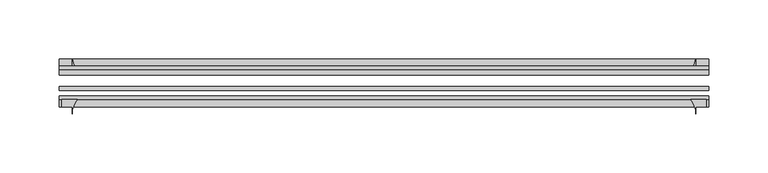
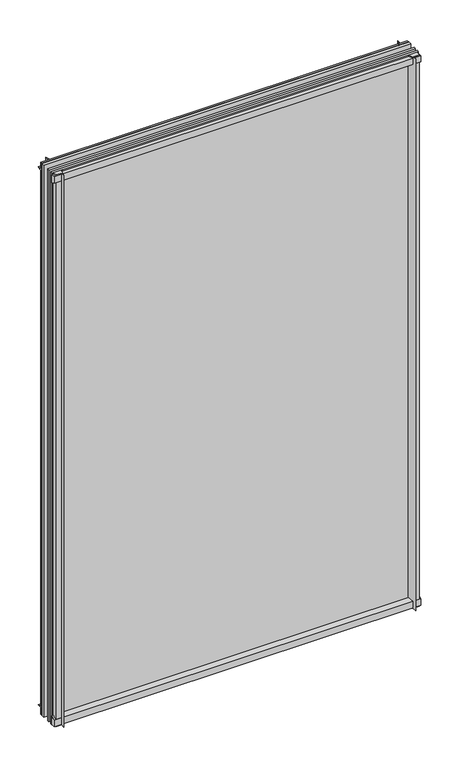
"""IFC4 building model written with IfcOpenShell, lengths in millimetres: plate geometry."""

from ifc_helpers import new_model, si_unit, point, frame, frame_2d, origin, place, context, project, spatial, polyline, circle_curve, trimmed, segment, composite_curve, outline, extrude, source, transform, mapped, element, save


def plate_e730d9f6(model_context):
    return source(origin(), model_context, "Body", "SweptSolid", [
        extrude(outline(composite_curve([segment(polyline([(-42.891075, -11.1125), (-42.891075, 3.8539528)]), True, "CONTINUOUS"), segment(trimmed(circle_curve(frame_2d((-26.637892, 29.5913262)), 30.4397495), [point((-42.891075, 3.8539528))], [point((-33.7745413, 0.0))], True, "CARTESIAN"), True, "CONTINUOUS"), segment(polyline([(-33.7745413, 0.0), (-39.690675, 0.0), (-39.690675, -11.1125), (-42.891075, -11.1125)]), True, "CONTINUOUS")], self_intersect=False)), frame((-302.372063, 0.0, 0.0), z_axis=(1.0, 0.0, 0.0), x_axis=(0.0, 1.0, 0.0)), (0.0, 0.0, 1.0), 550.7691259),
        extrude(outline(composite_curve([segment(trimmed(circle_curve(frame_2d((-80.4922797, 17.8701603)), 18.6769817), [point((-74.641075, 0.1333891))], [point((-68.291075, 3.72943))], True, "CARTESIAN"), True, "CONTINUOUS"), segment(polyline([(-68.291075, 3.72943), (-68.291075, -10.3251), (-74.641075, -10.3251), (-74.641075, 0.1333891)]), True, "CONTINUOUS")], self_intersect=False)), frame((-302.372063, 0.0, 0.0), z_axis=(1.0, 0.0, 0.0), x_axis=(0.0, 1.0, 0.0)), (0.0, 0.0, 1.0), 550.7691259),
        extrude(outline(composite_curve([segment(polyline([(-42.891075, 850.2083472), (-42.891075, 865.1875), (-39.690675, 865.1875), (-39.690675, 854.075), (-33.721675, 854.075)]), True, "CONTINUOUS"), segment(trimmed(circle_curve(frame_2d((-26.637892, 824.4709738)), 30.4397495), [point((-33.721675, 854.075))], [point((-42.891075, 850.2083472))], True, "CARTESIAN"), True, "CONTINUOUS")], self_intersect=False)), frame((-302.372063, 0.0, 0.0), z_axis=(1.0, 0.0, 0.0), x_axis=(0.0, 1.0, 0.0)), (0.0, 0.0, 1.0), 550.7691259),
        extrude(outline(composite_curve([segment(polyline([(-68.291075, 862.8126), (-68.291075, 849.53912)]), True, "CONTINUOUS"), segment(trimmed(circle_curve(frame_2d((-80.4922797, 835.3983897)), 18.6769817), [point((-68.291075, 849.53912))], [point((-74.641075, 853.1351609))], True, "CARTESIAN"), True, "CONTINUOUS"), segment(polyline([(-74.641075, 853.1351609), (-74.641075, 862.8126), (-68.291075, 862.8126)]), True, "CONTINUOUS")], self_intersect=False)), frame((-302.372063, 0.0, 0.0), z_axis=(1.0, 0.0, 0.0), x_axis=(0.0, 1.0, 0.0)), (0.0, 0.0, 1.0), 550.7691259),
        extrude(outline(composite_curve([segment(polyline([(232.7486829, -68.291075), (246.022163, -68.291075), (246.022163, -74.641075), (237.284563, -74.641075), (237.284563, -80.3744844)]), True, "CONTINUOUS"), segment(trimmed(circle_curve(frame_2d((218.6079527, -80.4922797)), 18.6769817), [point((237.284563, -80.3744844))], [point((232.7486829, -68.291075))], True, "CARTESIAN"), True, "CONTINUOUS")], self_intersect=False)), frame((0.0, 0.0, -11.1125), z_axis=(0.0, 0.0, 1.0), x_axis=(1.0, 0.0, 0.0)), (0.0, 0.0, 1.0), 876.3),
        extrude(outline(composite_curve([segment(trimmed(circle_curve(frame_2d((207.6805367, -26.637892)), 30.4397495), [point((233.4179102, -42.891075))], [point((237.284563, -33.721675))], True, "CARTESIAN"), True, "CONTINUOUS"), segment(polyline([(237.284563, -33.721675), (237.284563, -39.690675), (248.397063, -39.690675), (248.397063, -42.891075), (233.4179102, -42.891075)]), True, "CONTINUOUS")], self_intersect=False)), frame((0.0, 0.0, -11.1125), z_axis=(0.0, 0.0, 1.0), x_axis=(1.0, 0.0, 0.0)), (0.0, 0.0, 1.0), 876.3),
        extrude(outline(composite_curve([segment(trimmed(circle_curve(frame_2d((-272.5829527, -80.4922797)), 18.6769817), [point((-286.7236829, -68.291075))], [point((-291.259563, -80.3744844))], True, "CARTESIAN"), True, "CONTINUOUS"), segment(polyline([(-291.259563, -80.3744844), (-291.259563, -74.641075), (-299.997163, -74.641075), (-299.997163, -68.291075), (-286.7236829, -68.291075)]), True, "CONTINUOUS")], self_intersect=False)), frame((0.0, 0.0, -11.1125), z_axis=(0.0, 0.0, 1.0), x_axis=(1.0, 0.0, 0.0)), (0.0, 0.0, 1.0), 876.3),
        extrude(outline(composite_curve([segment(polyline([(-287.3929102, -42.891075), (-302.372063, -42.891075), (-302.372063, -39.690675), (-291.259563, -39.690675), (-291.259563, -33.721675)]), True, "CONTINUOUS"), segment(trimmed(circle_curve(frame_2d((-261.6555367, -26.637892)), 30.4397495), [point((-291.259563, -33.721675))], [point((-287.3929102, -42.891075))], True, "CARTESIAN"), True, "CONTINUOUS")], self_intersect=False)), frame((0.0, 0.0, -11.1125), z_axis=(0.0, 0.0, 1.0), x_axis=(1.0, 0.0, 0.0)), (0.0, 0.0, 1.0), 876.3),
        extrude(outline(polyline([(-302.372063, -42.891075), (248.397063, -42.891075), (248.397063, -47.653575), (-302.372063, -47.653575), (-302.372063, -42.891075)])), frame((0.0, 0.0, -11.1125), z_axis=(0.0, 0.0, 1.0), x_axis=(1.0, 0.0, 0.0)), (0.0, 0.0, 1.0), 876.3),
        extrude(outline(polyline([(248.397063, -57.369075), (248.397063, -60.544075), (-302.372063, -60.544075), (-302.372063, -57.369075), (248.397063, -57.369075)])), frame((0.0, 0.0, -11.1125), z_axis=(0.0, 0.0, 1.0), x_axis=(1.0, 0.0, 0.0)), (0.0, 0.0, 1.0), 876.3),
        extrude(outline(polyline([(-302.372063, -65.116075), (248.397063, -65.116075), (248.397063, -68.291075), (-302.372063, -68.291075), (-302.372063, -65.116075)])), frame((0.0, 0.0, -11.1125), z_axis=(0.0, 0.0, 1.0), x_axis=(1.0, 0.0, 0.0)), (0.0, 0.0, 1.0), 876.3),
    ])


if __name__ == "__main__":
    model = new_model("IFC4")
    model_context = context("Model", 3, world=origin())
    ifc_project = project(units=[si_unit("LENGTHUNIT", "METRE", prefix="MILLI")], contexts=[model_context])
    site = spatial("IfcSite", under=ifc_project)
    building = spatial("IfcBuilding", under=site)
    placement = place(None, origin())
    plate_shape = plate_e730d9f6(model_context)
    element("IfcPlate", 1, at=placement, inside=building, context=model_context, shape_type="MappedRepresentation", body=[
        mapped(plate_shape, transform((0.0, 0.0, 0.0), x_axis=(1.0, 0.0, 0.0), y_axis=(0.0, 1.0, 0.0), z_axis=(0.0, 0.0, 1.0))),
    ])
    save(model, "model.ifc")
